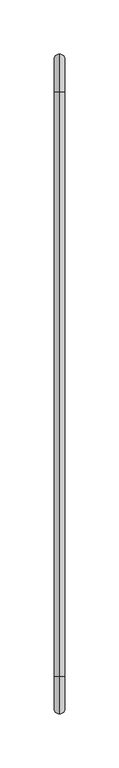
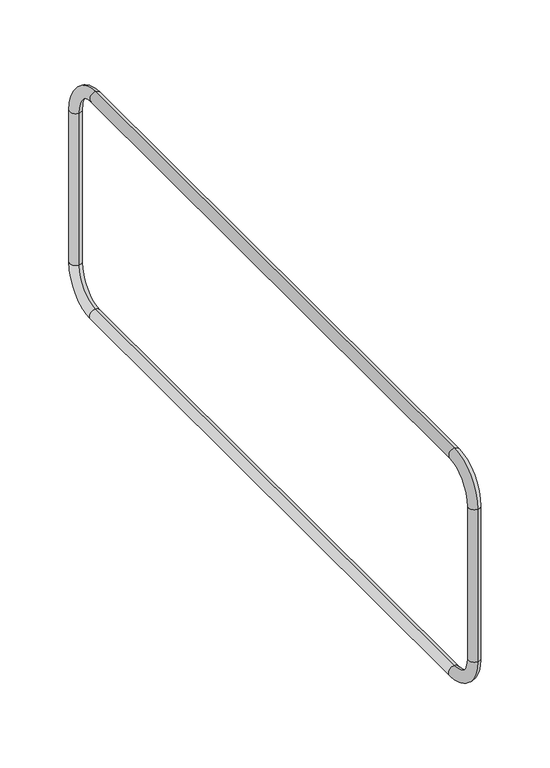
"""IFC4 building model written with IfcOpenShell, lengths in millimetres: beam geometry."""

from ifc_helpers import new_model, si_unit, point, frame, origin, place, context, project, spatial, circle_curve, ellipse_curve, trimmed, source, transform, mapped, element, save
from ifc_brep_helpers import cylinder_surface, revolved_surface, advanced_brep


def beam_e0130147(model_context):
    return source(origin(), model_context, "Body", "AdvancedBrep", [
        advanced_brep(
        [(0.0, -30.0, -0.2869889), (0.0, 5.0, -35.2869889), (0.0, -5.0, -35.2869889), (0.0, -30.0, -10.2869889), (0.0, -570.0, -10.2869889), (0.0, -570.0, -0.2869889), (0.0, -605.0, -35.2869889), (0.0, -595.0, -35.2869889), (0.0, -595.0, -175.2869889), (0.0, -605.0, -175.2869889), (0.0, -570.0, -210.2869889), (0.0, -570.0, -200.2869889), (0.0, -30.0, -200.2869889), (0.0, -30.0, -210.2869889), (0.0, 5.0, -175.2869889), (0.0, -5.0, -175.2869889)],
        [
            (0, 1, circle_curve(frame((0.0, -30.0, -35.2869889), z_axis=(-1.0, 0.0, 0.0), x_axis=(0.0, 1.0, 0.0)), 35.0)),
            (1, 2, circle_curve(frame((0.0, 0.0, -35.2869889), z_axis=(0.0, 0.0, 1.0), x_axis=(0.0, -1.0, 0.0)), 5.0)),
            (2, 3, circle_curve(frame((0.0, -30.0, -35.2869889), z_axis=(1.0, 0.0, 0.0), x_axis=(0.0, 1.0, 0.0)), 25.0)),
            (3, 0, circle_curve(frame((0.0, -30.0, -5.2869889), z_axis=(0.0, 1.0, 0.0), x_axis=(0.0, 0.0, -1.0)), 5.0)),
            (2, 1, circle_curve(frame((0.0, 0.0, -35.2869889), z_axis=(0.0, 0.0, 1.0), x_axis=(0.0, -1.0, 0.0)), 5.0)),
            (0, 3, circle_curve(frame((0.0, -30.0, -5.2869889), z_axis=(0.0, 1.0, 0.0), x_axis=(0.0, 0.0, -1.0)), 5.0)),
            (3, 4),
            (4, 5, circle_curve(frame((0.0, -570.0, -5.2869889), z_axis=(0.0, 1.0, 0.0), x_axis=(0.0, 0.0, -1.0)), 5.0)),
            (5, 0),
            (5, 4, circle_curve(frame((0.0, -570.0, -5.2869889), z_axis=(0.0, 1.0, 0.0), x_axis=(0.0, 0.0, -1.0)), 5.0)),
            (6, 5, circle_curve(frame((0.0, -570.0, -35.2869889), z_axis=(-1.0, 0.0, 0.0), x_axis=(0.0, 0.0, 1.0)), 35.0)),
            (4, 7, circle_curve(frame((0.0, -570.0, -35.2869889), z_axis=(1.0, 0.0, 0.0), x_axis=(0.0, 0.0, 1.0)), 25.0)),
            (7, 6, circle_curve(frame((0.0, -600.0, -35.2869889), z_axis=(0.0, 0.0, 1.0), x_axis=(0.0, 1.0, 0.0)), 5.0)),
            (6, 7, circle_curve(frame((0.0, -600.0, -35.2869889), z_axis=(0.0, 0.0, 1.0), x_axis=(0.0, 1.0, 0.0)), 5.0)),
            (7, 8),
            (8, 9, circle_curve(frame((0.0, -600.0, -175.2869889), z_axis=(0.0, 0.0, 1.0), x_axis=(0.0, 1.0, 0.0)), 5.0)),
            (9, 6),
            (9, 8, circle_curve(frame((0.0, -600.0, -175.2869889), z_axis=(0.0, 0.0, 1.0), x_axis=(0.0, 1.0, 0.0)), 5.0)),
            (10, 9, circle_curve(frame((0.0, -570.0, -175.2869889), z_axis=(-1.0, 0.0, 0.0), x_axis=(0.0, -1.0, 0.0)), 35.0)),
            (8, 11, circle_curve(frame((0.0, -570.0, -175.2869889), z_axis=(1.0, 0.0, 0.0), x_axis=(0.0, -1.0, 0.0)), 25.0)),
            (11, 10, circle_curve(frame((0.0, -570.0, -205.2869889), z_axis=(0.0, -1.0, 0.0), x_axis=(0.0, 0.0, 1.0)), 5.0)),
            (10, 11, circle_curve(frame((0.0, -570.0, -205.2869889), z_axis=(0.0, -1.0, 0.0), x_axis=(0.0, 0.0, 1.0)), 5.0)),
            (11, 12),
            (12, 13, circle_curve(frame((0.0, -30.0, -205.2869889), z_axis=(0.0, -1.0, 0.0), x_axis=(0.0, 0.0, 1.0)), 5.0)),
            (13, 10),
            (13, 12, circle_curve(frame((0.0, -30.0, -205.2869889), z_axis=(0.0, -1.0, 0.0), x_axis=(0.0, 0.0, 1.0)), 5.0)),
            (14, 13, circle_curve(frame((0.0, -30.0, -175.2869889), z_axis=(-1.0, 0.0, 0.0), x_axis=(0.0, 0.0, -1.0)), 35.0)),
            (12, 15, circle_curve(frame((0.0, -30.0, -175.2869889), z_axis=(1.0, 0.0, 0.0), x_axis=(0.0, 0.0, -1.0)), 25.0)),
            (15, 14, circle_curve(frame((0.0, 0.0, -175.2869889), z_axis=(0.0, 0.0, -1.0), x_axis=(0.0, -1.0, 0.0)), 5.0)),
            (14, 15, circle_curve(frame((0.0, 0.0, -175.2869889), z_axis=(0.0, 0.0, -1.0), x_axis=(0.0, -1.0, 0.0)), 5.0)),
            (15, 2),
            (1, 14),
        ],
        [
            revolved_surface(trimmed(ellipse_curve(frame((0.0, 0.0, -35.2869889), z_axis=(0.0, 0.0, -1.0), x_axis=(0.0, -1.0, 0.0)), 5.0, 5.0), [point((0.0, -5.0, -35.2869889))], [point((0.0, 5.0, -35.2869889))], True, "CARTESIAN"), (0.0, -30.0, -35.2869889), (1.0, 0.0, 0.0)),
            revolved_surface(trimmed(ellipse_curve(frame((0.0, 0.0, -35.2869889), z_axis=(0.0, 0.0, -1.0), x_axis=(0.0, -1.0, 0.0)), 5.0, 5.0), [point((0.0, 5.0, -35.2869889))], [point((0.0, -5.0, -35.2869889))], True, "CARTESIAN"), (0.0, -30.0, -35.2869889), (1.0, 0.0, 0.0)),
            cylinder_surface(frame((0.0, -30.0, -5.2869889), z_axis=(0.0, 1.0, 0.0), x_axis=(0.0, 0.0, -1.0)), 5.0),
            revolved_surface(trimmed(ellipse_curve(frame((0.0, -570.0, -5.2869889), z_axis=(0.0, 1.0, 0.0), x_axis=(0.0, 0.0, -1.0)), 5.0, 5.0), [point((0.0, -570.0, -10.2869889))], [point((0.0, -570.0, -0.2869889))], True, "CARTESIAN"), (0.0, -570.0, -35.2869889), (1.0, 0.0, 0.0)),
            revolved_surface(trimmed(ellipse_curve(frame((0.0, -570.0, -5.2869889), z_axis=(0.0, 1.0, 0.0), x_axis=(0.0, 0.0, -1.0)), 5.0, 5.0), [point((0.0, -570.0, -0.2869889))], [point((0.0, -570.0, -10.2869889))], True, "CARTESIAN"), (0.0, -570.0, -35.2869889), (1.0, 0.0, 0.0)),
            cylinder_surface(frame((0.0, -600.0, -35.2869889), z_axis=(0.0, 0.0, 1.0), x_axis=(0.0, 1.0, 0.0)), 5.0),
            revolved_surface(trimmed(ellipse_curve(frame((0.0, -600.0, -175.2869889), z_axis=(0.0, 0.0, 1.0), x_axis=(0.0, 1.0, 0.0)), 5.0, 5.0), [point((0.0, -595.0, -175.2869889))], [point((0.0, -605.0, -175.2869889))], True, "CARTESIAN"), (0.0, -570.0, -175.2869889), (1.0, 0.0, 0.0)),
            revolved_surface(trimmed(ellipse_curve(frame((0.0, -600.0, -175.2869889), z_axis=(0.0, 0.0, 1.0), x_axis=(0.0, 1.0, 0.0)), 5.0, 5.0), [point((0.0, -605.0, -175.2869889))], [point((0.0, -595.0, -175.2869889))], True, "CARTESIAN"), (0.0, -570.0, -175.2869889), (1.0, 0.0, 0.0)),
            cylinder_surface(frame((0.0, -570.0, -205.2869889), z_axis=(0.0, -1.0, 0.0), x_axis=(0.0, 0.0, 1.0)), 5.0),
            revolved_surface(trimmed(ellipse_curve(frame((0.0, -30.0, -205.2869889), z_axis=(0.0, -1.0, 0.0), x_axis=(0.0, 0.0, 1.0)), 5.0, 5.0), [point((0.0, -30.0, -200.2869889))], [point((0.0, -30.0, -210.2869889))], True, "CARTESIAN"), (0.0, -30.0, -175.2869889), (1.0, 0.0, 0.0)),
            revolved_surface(trimmed(ellipse_curve(frame((0.0, -30.0, -205.2869889), z_axis=(0.0, -1.0, 0.0), x_axis=(0.0, 0.0, 1.0)), 5.0, 5.0), [point((0.0, -30.0, -210.2869889))], [point((0.0, -30.0, -200.2869889))], True, "CARTESIAN"), (0.0, -30.0, -175.2869889), (1.0, 0.0, 0.0)),
            cylinder_surface(frame((0.0, 0.0, -175.2869889), z_axis=(0.0, 0.0, -1.0), x_axis=(0.0, -1.0, 0.0)), 5.0),
        ],
        [
            (0, [[1, 2, 3, 4]]),
            (1, [[-3, 5, -1, 6]]),
            (2, [[-4, 7, 8, 9]]),
            (2, [[-6, -9, 10, -7]]),
            (3, [[11, -8, 12, 13]]),
            (4, [[-12, -10, -11, 14]]),
            (5, [[-13, 15, 16, 17]]),
            (5, [[-14, -17, 18, -15]]),
            (6, [[19, -16, 20, 21]]),
            (7, [[-20, -18, -19, 22]]),
            (8, [[-21, 23, 24, 25]]),
            (8, [[-22, -25, 26, -23]]),
            (9, [[27, -24, 28, 29]]),
            (10, [[-28, -26, -27, 30]]),
            (11, [[-29, 31, -2, 32]]),
            (11, [[-30, -32, -5, -31]]),
        ],
    ),
    ])


if __name__ == "__main__":
    model = new_model("IFC4")
    model_context = context("Model", 3, world=origin())
    ifc_project = project(units=[si_unit("LENGTHUNIT", "METRE", prefix="MILLI")], contexts=[model_context])
    site = spatial("IfcSite", under=ifc_project)
    building = spatial("IfcBuilding", under=site)
    placement = place(None, origin())
    beam_shape = beam_e0130147(model_context)
    element("IfcBeam", 1, at=placement, inside=building, context=model_context, shape_type="MappedRepresentation", body=[
        mapped(beam_shape, transform((0.0, 0.0, 0.0), x_axis=(1.0, 0.0, 0.0), y_axis=(0.0, 1.0, 0.0), z_axis=(0.0, 0.0, 1.0))),
    ])
    save(model, "model.ifc")
